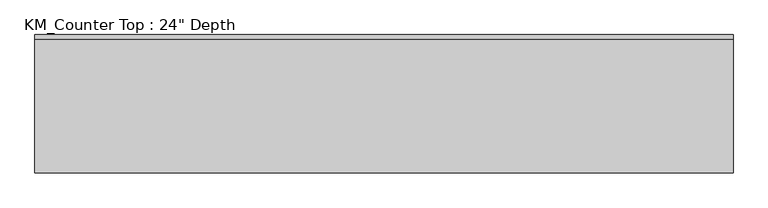
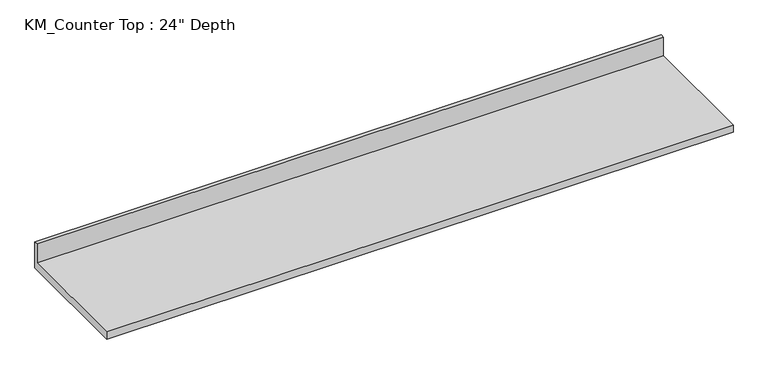
"""IFC4 building model written with IfcOpenShell, lengths in millimetres: furniture geometry."""

from ifc_helpers import new_model, si_unit, frame, origin, place, context, project, spatial, polyline, outline, extrude, source, transform, mapped, element, save


def furniture_761ce3fc(model_context):
    return source(origin(), model_context, "Body", "SweptSolid", [
        extrude(outline(polyline([(0.0, 965.2), (0.0, 825.5), (-635.0, 825.5), (-635.0, 863.6), (-19.05, 863.6), (-19.05, 965.2), (0.0, 965.2)])), frame((-1200.4622951, 0.0, 0.0), z_axis=(1.0, 0.0, 0.0), x_axis=(0.0, 1.0, 0.0)), (0.0, 0.0, 1.0), 3200.4),
    ])


if __name__ == "__main__":
    model = new_model("IFC4")
    model_context = context("Model", 3, world=origin())
    ifc_project = project(units=[si_unit("LENGTHUNIT", "METRE", prefix="MILLI")], contexts=[model_context])
    site = spatial("IfcSite", under=ifc_project)
    building = spatial("IfcBuilding", under=site)
    placement = place(None, origin())
    furniture_shape = furniture_761ce3fc(model_context)
    element("IfcFurniture", 1, ObjectType="KM_Counter Top : 24\" Depth", at=placement, inside=building, context=model_context, shape_type="MappedRepresentation", body=[
        mapped(furniture_shape, transform((0.0, 0.0, 0.0), x_axis=(1.0, 0.0, 0.0), y_axis=(0.0, 1.0, 0.0), z_axis=(0.0, 0.0, 1.0))),
    ])
    save(model, "model.ifc")
